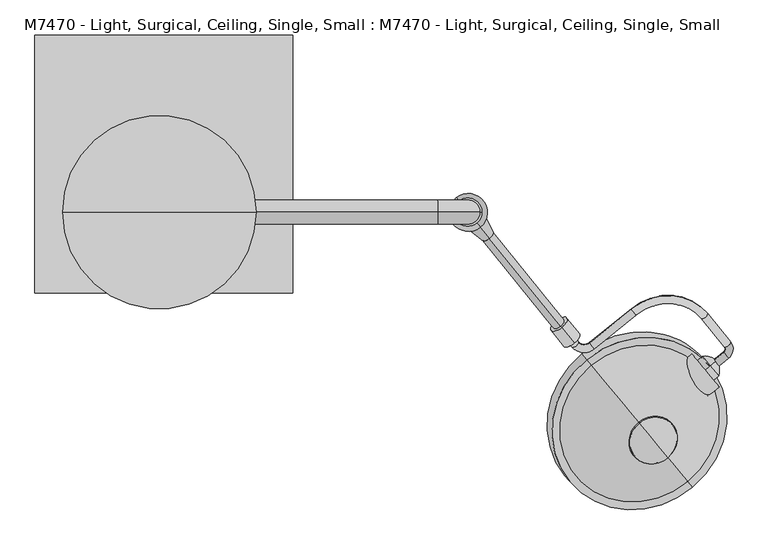
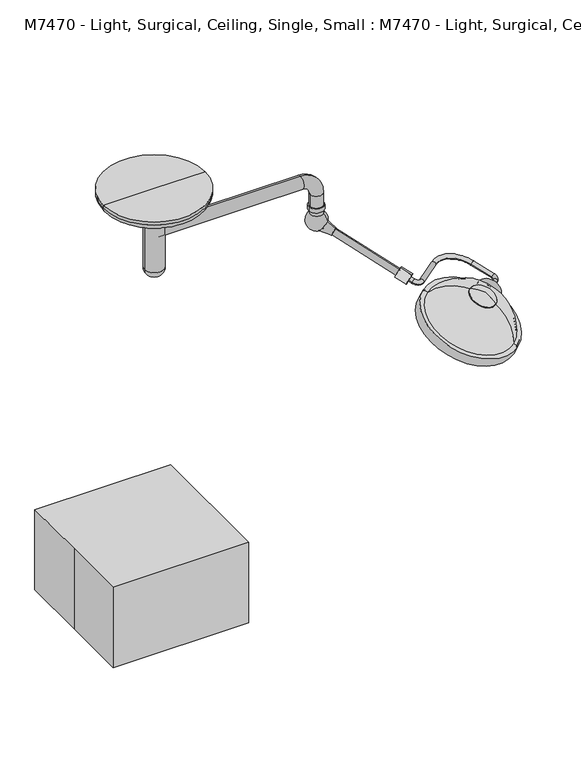
"""IFC4 building model written with IfcOpenShell, lengths in millimetres: proxy geometry, M7470 - Light, Surgical, Ceiling, Single, Small : M7470 - Light, Surgical, Ceiling, Single, Small."""

from ifc_helpers import new_model, si_unit, point, frame, frame_2d, origin, origin_with_axes, origin_2d, place, context, project, spatial, polyline, circle_curve, ellipse_curve, trimmed, segment, composite_curve, outline, extrude, source, transform, mapped, element, save
from ifc_brep_helpers import plane_surface, cylinder_surface, revolved_surface, advanced_brep


def m7470_light_surgical_ceiling_single_small_m7470_light_541cf0d3(model_context):
    return source(origin(), model_context, "Body", "SolidModel", [
        advanced_brep(
        [(1740.835031, -642.2802758, 1801.3604265), (1726.2322463, -624.2473385, 1811.6915373), (1777.4892739, -612.5982552, 1801.3604265), (1762.8864892, -594.5653179, 1811.6915373), (1765.4548505, -577.5564802, 1816.8570926), (1785.194358, -561.5717423, 1816.8570926), (1712.7149421, -472.0671177, 1868.1344952), (1692.9754347, -488.0518556, 1868.1344952), (1486.9216817, -475.7626592, 1930.1211596), (1472.318897, -457.7297218, 1940.4522704), (1340.6688003, -564.3378681, 1940.4522704), (1355.271585, -582.3708055, 1930.1211596), (1286.5870007, -578.2744067, 1950.7833811), (1306.3265081, -562.2896687, 1950.7833811), (1251.0372497, -494.0131207, 1989.8991704), (1231.2977423, -509.9978587, 1989.8991704)],
        [
            (0, 1, circle_curve(frame((1733.5336387, -633.2638072, 1806.5259819), z_axis=(-0.7771459614569792, -0.6293203910498273, 0.0), x_axis=(-0.5749127846454345, 0.7099581630143155, 0.40673664307580054)), 12.7)),
            (1, 0, circle_curve(frame((1733.5336387, -633.2638072, 1806.5259819), z_axis=(-0.7771459614569792, -0.6293203910498273, 0.0), x_axis=(-0.5749127846454345, 0.7099581630143155, 0.40673664307580054)), 12.7)),
            (0, 2),
            (2, 3, circle_curve(frame((1770.1878816, -603.5817865, 1806.5259819), z_axis=(-0.7771459614569792, -0.6293203910498273, 0.0), x_axis=(-0.5749127846454345, 0.7099581630143155, 0.40673664307580054)), 12.7)),
            (3, 1),
            (3, 2, circle_curve(frame((1770.1878816, -603.5817865, 1806.5259819), z_axis=(-0.7771459614569792, -0.6293203910498273, 0.0), x_axis=(-0.5749127846454345, 0.7099581630143155, 0.40673664307580054)), 12.7)),
            (4, 3, circle_curve(frame((1755.5850968, -585.5488492, 1816.8570926), z_axis=(-0.2559676632747577, 0.31609373954292624, -0.9135454576426008), x_axis=(0.5749127846454357, -0.7099581630143145, -0.4067366430758004)), 12.7)),
            (2, 5, circle_curve(frame((1755.5850968, -585.5488492, 1816.8570926), z_axis=(0.2559676632747577, -0.31609373954292624, 0.9135454576426008), x_axis=(0.5749127846454357, -0.7099581630143145, -0.4067366430758004)), 38.1)),
            (5, 4, circle_curve(frame((1775.3246043, -569.5641113, 1816.8570926), z_axis=(0.5749127846454273, -0.7099581630143212, -0.4067366430758005), x_axis=(-0.7771459614569847, -0.6293203910498207, 0.0)), 12.7)),
            (4, 5, circle_curve(frame((1775.3246043, -569.5641113, 1816.8570926), z_axis=(0.574912784645419, -0.709958163014328, -0.4067366430758005), x_axis=(-0.7771459614569908, -0.6293203910498131, 0.0)), 12.7)),
            (5, 6),
            (6, 7, circle_curve(frame((1702.8451884, -480.0594867, 1868.1344952), z_axis=(0.5749127846454346, -0.7099581630143152, -0.40673664307580043), x_axis=(-0.777145961456979, -0.6293203910498273, 0.0)), 12.7)),
            (7, 4),
            (7, 6, circle_curve(frame((1702.8451884, -480.0594867, 1868.1344952), z_axis=(0.5749127846454346, -0.7099581630143152, -0.40673664307580043), x_axis=(-0.777145961456979, -0.6293203910498273, 0.0)), 12.7)),
            (8, 7, circle_curve(frame((1574.5383901, -583.9602832, 1868.1344952), z_axis=(-0.2559676632747577, 0.31609373954292624, -0.9135454576426008), x_axis=(0.7771459614569818, 0.6293203910498242, 0.0)), 152.4)),
            (6, 9, circle_curve(frame((1574.5383901, -583.9602832, 1868.1344952), z_axis=(0.2559676632747577, -0.31609373954292624, 0.9135454576426008), x_axis=(0.7771459614569818, 0.6293203910498242, 0.0)), 177.8)),
            (9, 8, circle_curve(frame((1479.6202894, -466.7461905, 1935.286715), z_axis=(0.7771459614569785, 0.6293203910498282, 0.0), x_axis=(0.5749127846454356, -0.7099581630143149, -0.4067366430758004)), 12.7)),
            (8, 9, circle_curve(frame((1479.6202894, -466.7461905, 1935.286715), z_axis=(0.7771459614569775, 0.6293203910498295, 0.0), x_axis=(0.5749127846454369, -0.7099581630143138, -0.4067366430758004)), 12.7)),
            (9, 10),
            (10, 11, circle_curve(frame((1347.9701926, -573.3543368, 1935.286715), z_axis=(0.777145961456978, 0.6293203910498286, 0.0), x_axis=(0.574912784645436, -0.7099581630143144, -0.4067366430758003)), 12.7)),
            (11, 8),
            (11, 10, circle_curve(frame((1347.9701926, -573.3543368, 1935.286715), z_axis=(0.777145961456978, 0.6293203910498286, 0.0), x_axis=(0.574912784645436, -0.7099581630143144, -0.4067366430758003)), 12.7)),
            (12, 11, circle_curve(frame((1326.0660155, -546.3049308, 1950.7833811), z_axis=(0.2559676632747577, -0.31609373954292624, 0.9135454576426008), x_axis=(0.5749127846454407, -0.7099581630143105, -0.4067366430758004)), 50.8)),
            (10, 13, circle_curve(frame((1326.0660155, -546.3049308, 1950.7833811), z_axis=(-0.2559676632747577, 0.31609373954292624, -0.9135454576426008), x_axis=(0.5749127846454407, -0.7099581630143105, -0.4067366430758004)), 25.4)),
            (13, 12, circle_curve(frame((1296.4567544, -570.2820377, 1950.7833811), z_axis=(0.5749127846454364, -0.7099581630143139, -0.40673664307580054), x_axis=(-0.777145961456978, -0.6293203910498291, 0.0)), 12.7)),
            (12, 13, circle_curve(frame((1296.4567544, -570.2820377, 1950.7833811), z_axis=(0.5749127846454385, -0.7099581630143121, -0.40673664307580054), x_axis=(-0.7771459614569765, -0.629320391049831, 0.0)), 12.7)),
            (14, 15, circle_curve(frame((1241.167496, -502.0054897, 1989.8991704), z_axis=(-0.5749127846454374, 0.7099581630143132, 0.40673664307580004), x_axis=(-0.7771459614569771, -0.6293203910498298, 0.0)), 12.7)),
            (15, 14, circle_curve(frame((1241.167496, -502.0054897, 1989.8991704), z_axis=(-0.5749127846454374, 0.7099581630143132, 0.40673664307580004), x_axis=(-0.7771459614569771, -0.6293203910498298, 0.0)), 12.7)),
            (13, 14),
            (15, 12),
        ],
        [
            plane_surface(frame((1306.7585861, -106.2405083, 283.3710423), z_axis=(-0.7771459614569792, -0.6293203910498271, 0.0), x_axis=(0.2559676632747578, -0.3160937395429264, 0.9135454576426008))),
            cylinder_surface(frame((1733.5336387, -633.2638072, 1806.5259819), z_axis=(-0.7771459614569792, -0.6293203910498273, 0.0), x_axis=(-0.5749127846454345, 0.7099581630143155, 0.40673664307580054)), 12.7),
            revolved_surface(trimmed(ellipse_curve(frame((1770.1878816, -603.5817865, 1806.5259819), z_axis=(-0.7771459614569786, -0.6293203910498283, 0.0), x_axis=(-0.5749127846454356, 0.7099581630143146, 0.40673664307580043)), 12.7, 12.7), [point((1777.4892739, -612.5982552, 1801.3604265))], [point((1762.8864892, -594.5653179, 1811.6915373))], True, "CARTESIAN"), (1328.8100443, -58.5255503, 293.7021531), (0.25596766327475773, -0.3160937395429263, 0.913545457642601)),
            revolved_surface(trimmed(ellipse_curve(frame((1770.1878816, -603.5817865, 1806.5259819), z_axis=(-0.7771459614569786, -0.6293203910498283, 0.0), x_axis=(-0.5749127846454356, 0.7099581630143146, 0.40673664307580043)), 12.7, 12.7), [point((1762.8864892, -594.5653179, 1811.6915373))], [point((1777.4892739, -612.5982552, 1801.3604265))], True, "CARTESIAN"), (1328.8100443, -58.5255503, 293.7021531), (0.25596766327475773, -0.3160937395429263, 0.913545457642601)),
            cylinder_surface(frame((1775.3246043, -569.5641113, 1816.8570926), z_axis=(0.5749127846454346, -0.7099581630143152, -0.40673664307580043), x_axis=(-0.777145961456979, -0.6293203910498273, 0.0)), 12.7),
            revolved_surface(trimmed(ellipse_curve(frame((1702.8451884, -480.0594867, 1868.1344952), z_axis=(0.5749127846454308, -0.7099581630143185, -0.4067366430758007), x_axis=(-0.777145961456982, -0.6293203910498238, 0.0)), 12.7, 12.7), [point((1712.7149421, -472.0671177, 1868.1344952))], [point((1692.9754347, -488.0518556, 1868.1344952))], True, "CARTESIAN"), (1147.7633376, -56.9369844, 344.9795556), (0.25596766327475773, -0.3160937395429263, 0.913545457642601)),
            revolved_surface(trimmed(ellipse_curve(frame((1702.8451884, -480.0594867, 1868.1344952), z_axis=(0.5749127846454308, -0.7099581630143185, -0.4067366430758007), x_axis=(-0.777145961456982, -0.6293203910498238, 0.0)), 12.7, 12.7), [point((1692.9754347, -488.0518556, 1868.1344952))], [point((1712.7149421, -472.0671177, 1868.1344952))], True, "CARTESIAN"), (1147.7633376, -56.9369844, 344.9795556), (0.25596766327475773, -0.3160937395429263, 0.913545457642601)),
            cylinder_surface(frame((1479.6202894, -466.7461905, 1935.286715), z_axis=(0.7771459614569782, 0.6293203910498287, 0.0), x_axis=(0.574912784645436, -0.7099581630143144, -0.4067366430758003)), 12.7),
            revolved_surface(trimmed(ellipse_curve(frame((1347.9701926, -573.3543368, 1935.286715), z_axis=(0.777145961456975, 0.629320391049833, 0.0), x_axis=(0.5749127846454405, -0.7099581630143107, -0.4067366430758002)), 12.7, 12.7), [point((1340.6688003, -564.3378681, 1940.4522704))], [point((1355.271585, -582.3708055, 1930.1211596))], True, "CARTESIAN"), (899.290963, -19.2816319, 427.6284415), (-0.25596766327475773, 0.3160937395429263, -0.913545457642601)),
            revolved_surface(trimmed(ellipse_curve(frame((1347.9701926, -573.3543368, 1935.286715), z_axis=(0.777145961456975, 0.629320391049833, 0.0), x_axis=(0.5749127846454405, -0.7099581630143107, -0.4067366430758002)), 12.7, 12.7), [point((1355.271585, -582.3708055, 1930.1211596))], [point((1340.6688003, -564.3378681, 1940.4522704))], True, "CARTESIAN"), (899.290963, -19.2816319, 427.6284415), (-0.25596766327475773, 0.3160937395429263, -0.913545457642601)),
            plane_surface(frame((814.3924435, 25.0178092, 466.7442308), z_axis=(-0.5749127846454377, 0.7099581630143132, 0.4067366430758001), x_axis=(0.25596766327475756, -0.3160937395429259, 0.9135454576426011))),
            cylinder_surface(frame((1296.4567544, -570.2820377, 1950.7833811), z_axis=(0.5749127846454374, -0.7099581630143132, -0.40673664307580004), x_axis=(-0.7771459614569771, -0.6293203910498298, 0.0)), 12.7),
        ],
        [
            (0, [[1, 2]]),
            (1, [[-1, 3, 4, 5]]),
            (1, [[-2, -5, 6, -3]]),
            (2, [[7, -4, 8, 9]]),
            (3, [[-8, -6, -7, 10]]),
            (4, [[-9, 11, 12, 13]]),
            (4, [[-10, -13, 14, -11]]),
            (5, [[15, -12, 16, 17]]),
            (6, [[-16, -14, -15, 18]]),
            (7, [[-17, 19, 20, 21]]),
            (7, [[-18, -21, 22, -19]]),
            (8, [[23, -20, 24, 25]]),
            (9, [[-24, -22, -23, 26]]),
            (10, [[27, 28]]),
            (11, [[-25, 29, -28, 30]]),
            (11, [[-26, -30, -27, -29]]),
        ],
    ),
        advanced_brep(
        [(1721.261074, -637.7345795, 1763.693259), (1721.261074, -637.7345795, 1844.9108067), (1705.2225201, -651.0325107, 1844.9108067), (1705.2225201, -651.0325107, 1763.693259), (1741.0506282, -621.3266083, 1804.3020328), (1705.2225201, -651.0325107, 1804.3020328)],
        [
            (0, 1, circle_curve(frame((1721.261074, -637.7345795, 1804.3020328), z_axis=(-0.7698129796821993, -0.6382695169854298, 0.0), x_axis=(0.0, 0.0, 1.0)), 40.6087738)),
            (1, 2),
            (2, 3, circle_curve(frame((1705.2225201, -651.0325107, 1804.3020328), z_axis=(0.7698129796821993, 0.6382695169854298, 0.0), x_axis=(0.0, 0.0, 1.0)), 40.6087738)),
            (3, 0),
            (1, 0, circle_curve(frame((1721.261074, -637.7345795, 1804.3020328), z_axis=(-0.7698129796821993, -0.6382695169854298, 0.0), x_axis=(0.0, 0.0, 1.0)), 40.6087738)),
            (3, 2, circle_curve(frame((1705.2225201, -651.0325107, 1804.3020328), z_axis=(0.7698129796821993, 0.6382695169854298, 0.0), x_axis=(0.0, 0.0, 1.0)), 40.6087738)),
            (4, 1, circle_curve(frame((1698.880381, -656.290923, 1798.0653606), z_axis=(0.6382695169854297, -0.7698129796821994, 0.0), x_axis=(-0.7698129796821995, -0.6382695169854296, 0.0)), 55.1337385)),
            (0, 4, circle_curve(frame((1698.880381, -656.290923, 1810.5387051), z_axis=(0.6382695169854301, -0.769812979682199, 0.0), x_axis=(-0.7698129796821991, -0.63826951698543, 0.0)), 55.1337385)),
            (2, 5),
            (5, 3),
        ],
        [
            cylinder_surface(frame((1705.2225201, -651.0325107, 1804.3020328), z_axis=(0.7698129796821993, 0.6382695169854298, 0.0), x_axis=(0.0, 0.0, 1.0)), 40.6087738),
            revolved_surface(trimmed(ellipse_curve(frame((1698.880381, -656.290923, 1798.0653606), z_axis=(-0.6382695169854297, 0.7698129796821994, 0.0), x_axis=(-0.7698129796821995, -0.6382695169854296, 0.0)), 55.1337385, 55.1337385), [point((1721.261074, -637.7345795, 1844.9108067))], [point((1741.0506282, -621.3266083, 1804.3020328))], True, "CARTESIAN"), (1705.2225201, -651.0325107, 1804.3020328), (0.7698129796821993, 0.6382695169854298, 0.0)),
            revolved_surface(trimmed(ellipse_curve(frame((1698.880381, -656.290923, 1798.0653606), z_axis=(-0.6382695169854296, 0.7698129796821995, 0.0), x_axis=(-0.7698129796821996, -0.6382695169854294, 0.0)), 55.1337385, 55.1337385), [point((1721.261074, -637.7345795, 1844.9108067))], [point((1741.0506282, -621.3266083, 1804.3020328))], True, "CARTESIAN"), (1705.2225201, -651.0325107, 1804.3020328), (0.7698129796821993, 0.6382695169854298, 0.0)),
            plane_surface(frame((1705.2225201, -651.0325107, 1804.3020328), z_axis=(-0.7698129796821992, -0.6382695169854299, 0.0), x_axis=(0.0, 0.0, 1.0))),
        ],
        [
            (0, [[1, 2, 3, 4]]),
            (0, [[5, -4, 6, -2]]),
            (1, [[7, -1, 8]]),
            (2, [[-8, -5, -7]]),
            (3, [[-3, 9, 10]]),
            (3, [[-6, -10, -9]]),
        ],
    ),
        advanced_brep(
        [(1496.9081674, -817.6344001, 1984.2946884), (1587.2262401, -926.5664779, 1921.2927814), (1549.4769053, -881.037235, 1978.868084), (1495.0601272, -815.4054901, 1981.6876662), (1587.2262401, -926.5664779, 1917.3966478), (1545.2418093, -875.9293114, 1963.9650044)],
        [
            (0, 1, circle_curve(frame((1542.0672038, -872.100439, 1952.7937349), z_axis=(0.25960760071626565, -0.31311114715211635, 0.9135454576426013), x_axis=(0.5830882179937766, -0.7032591508229892, -0.4067366430757995)), 77.4480344)),
            (1, 2, circle_curve(frame((1480.1450063, -797.4164536, 1808.1205002), z_axis=(-0.7698129796821995, -0.6382695169854299, 0.0), x_axis=(-0.6382695169854299, 0.7698129796821994, 0.0)), 202.3711557)),
            (2, 0, circle_curve(frame((1514.8788649, -839.308749, 1783.8916913), z_axis=(-0.7698129796821976, -0.6382695169854321, 0.0), x_axis=(0.42708566892083927, -0.5151054258776686, -0.7431448254773932)), 202.3711557)),
            (1, 0, circle_curve(frame((1542.0672038, -872.100439, 1952.7937349), z_axis=(0.25960760071626565, -0.31311114715211635, 0.9135454576426013), x_axis=(0.5830882179937766, -0.7032591508229892, -0.4067366430757995)), 77.4480344)),
            (3, 4, circle_curve(frame((1541.1431837, -870.985984, 1949.542157), z_axis=(0.25960760071626565, -0.31311114715211635, 0.9135454576426013), x_axis=(0.5830882179937766, -0.7032591508229892, -0.4067366430757995)), 79.0327347)),
            (4, 1),
            (0, 3),
            (4, 3, circle_curve(frame((1541.1431837, -870.985984, 1949.542157), z_axis=(0.25960760071626565, -0.31311114715211635, 0.9135454576426013), x_axis=(0.5830882179937766, -0.7032591508229892, -0.4067366430757995)), 79.0327347)),
            (5, 4, circle_curve(frame((1462.5480105, -776.192824, 1711.2195886), z_axis=(0.7698129796821995, 0.6382695169854299, 0.0), x_axis=(-0.6382695169854299, 0.7698129796821994, 0.0)), 284.0173877)),
            (3, 5, circle_curve(frame((1480.6908648, -798.0748102, 1698.5639329), z_axis=(0.7698129796821976, 0.6382695169854321, 0.0), x_axis=(0.42708566892083927, -0.5151054258776686, -0.7431448254773932)), 284.0173877)),
        ],
        [
            revolved_surface(trimmed(ellipse_curve(frame((1480.1450063, -797.4164536, 1808.1205002), z_axis=(0.7698129796821995, 0.6382695169854299, 0.0), x_axis=(-0.6382695169854299, 0.7698129796821994, 0.0)), 202.3711557, 202.3711557), [point((1549.4769053, -881.037235, 1978.868084))], [point((1587.2262401, -926.5664779, 1921.2927814))], True, "CARTESIAN"), (1516.9910853, -841.8562852, 1864.5521965), (-0.25960760071626565, 0.31311114715211635, -0.9135454576426013)),
            revolved_surface(trimmed(ellipse_curve(frame((1480.1450063, -797.4164536, 1808.1205002), z_axis=(0.7698129796821993, 0.6382695169854298, 0.0), x_axis=(-0.6382695169854298, 0.7698129796821993, 0.0)), 202.3711557, 202.3711557), [point((1549.4769053, -881.037235, 1978.868084))], [point((1587.2262401, -926.5664779, 1921.2927814))], True, "CARTESIAN"), (1516.9910853, -841.8562852, 1864.5521965), (-0.25960760071626565, 0.31311114715211635, -0.9135454576426013)),
            revolved_surface(polyline([(1587.2262401, -926.5664779, 1921.2927814), (1587.2262401, -926.5664779, 1917.3966478)]), (1516.9910853, -841.8562852, 1864.5521965), (-0.25960760071626565, 0.31311114715211635, -0.9135454576426013)),
            revolved_surface(trimmed(ellipse_curve(frame((1462.5480105, -776.192824, 1711.2195886), z_axis=(-0.7698129796821995, -0.6382695169854299, 0.0), x_axis=(-0.6382695169854299, 0.7698129796821994, 0.0)), 284.0173877, 284.0173877), [point((1587.2262401, -926.5664779, 1917.3966478))], [point((1545.2418093, -875.9293114, 1963.9650044))], True, "CARTESIAN"), (1516.9910853, -841.8562852, 1864.5521965), (-0.25960760071626565, 0.31311114715211635, -0.9135454576426013)),
            revolved_surface(trimmed(ellipse_curve(frame((1462.5480105, -776.192824, 1711.2195886), z_axis=(-0.7698129796821993, -0.6382695169854298, 0.0), x_axis=(-0.6382695169854298, 0.7698129796821993, 0.0)), 284.0173877, 284.0173877), [point((1587.2262401, -926.5664779, 1917.3966478))], [point((1545.2418093, -875.9293114, 1963.9650044))], True, "CARTESIAN"), (1516.9910853, -841.8562852, 1864.5521965), (-0.25960760071626565, 0.31311114715211635, -0.9135454576426013)),
        ],
        [
            (0, [[1, 2, 3]]),
            (1, [[4, -3, -2]]),
            (2, [[5, 6, -1, 7]]),
            (2, [[8, -7, -4, -6]]),
            (3, [[9, -5, 10]]),
            (4, [[-10, -8, -9]]),
        ],
    ),
        advanced_brep(
        [(1448.7501126, -759.5512633, 1624.4158117), (1441.3448922, -750.6198721, 1629.5813671), (1456.1553329, -768.4826545, 1619.2502563), (1451.1647669, -762.4635632, 1609.2425198), (1439.9372961, -748.922179, 1617.0743086), (1445.5510315, -755.6928711, 1613.1584142)],
        [
            (0, 1),
            (1, 2, circle_curve(frame((1448.7501126, -759.5512633, 1624.4158117), z_axis=(0.2596076007162656, -0.31311114715211635, 0.9135454576426013), x_axis=(-0.5830882179937766, 0.7032591508229892, 0.40673664307579943)), 12.7)),
            (2, 0),
            (2, 1, circle_curve(frame((1448.7501126, -759.5512633, 1624.4158117), z_axis=(0.2596076007162656, -0.31311114715211635, 0.9135454576426013), x_axis=(-0.5830882179937766, 0.7032591508229892, 0.40673664307579943)), 12.7)),
            (3, 4, circle_curve(frame((1445.5510315, -755.6928711, 1613.1584142), z_axis=(-0.2596076007162656, 0.31311114715211635, -0.9135454576426013), x_axis=(-0.5830882179937766, 0.7032591508229892, 0.40673664307579943)), 9.6275919)),
            (4, 5),
            (5, 3),
            (4, 3, circle_curve(frame((1445.5510315, -755.6928711, 1613.1584142), z_axis=(-0.2596076007162656, 0.31311114715211635, -0.9135454576426013), x_axis=(-0.5830882179937766, 0.7032591508229892, 0.40673664307579943)), 9.6275919)),
            (1, 4),
            (3, 2),
        ],
        [
            plane_surface(frame((1448.7501126, -759.5512633, 1624.4158117), z_axis=(0.25960760071626565, -0.31311114715211635, 0.9135454576426012), x_axis=(-0.5830882179937766, 0.7032591508229892, 0.40673664307579943))),
            plane_surface(frame((1445.5510315, -755.6928711, 1613.1584142), z_axis=(-0.25960760071626565, 0.31311114715211635, -0.9135454576426012), x_axis=(-0.5830882179937766, 0.7032591508229892, 0.40673664307579943))),
            revolved_surface(polyline([(1439.9372961, -748.922179, 1617.0743086), (1441.3448922, -750.6198721, 1629.5813671)]), (1475.1262448, -791.3633558, 1717.2320302), (0.2596076007162656, -0.31311114715211635, 0.9135454576426013)),
        ],
        [
            (0, [[1, 2, 3]]),
            (0, [[-3, 4, -1]]),
            (1, [[5, 6, 7]]),
            (1, [[8, -7, -6]]),
            (2, [[-2, 9, -5, 10]]),
            (2, [[-4, -10, -8, -9]]),
        ],
    ),
        advanced_brep(
        [(1475.1262448, -791.3633558, 1717.2320302), (1464.0184142, -777.966269, 1724.9803632), (1486.2340754, -804.7604427, 1709.4836971), (1459.8579431, -772.9483501, 1616.6674786), (1437.642282, -746.1541765, 1632.1641447), (1448.7501126, -759.5512633, 1624.4158117)],
        [
            (0, 1),
            (1, 2, circle_curve(frame((1475.1262448, -791.3633558, 1717.2320302), z_axis=(0.2596076007162656, -0.31311114715211635, 0.9135454576426013), x_axis=(-0.5830882179937766, 0.7032591508229892, 0.40673664307579943)), 19.05)),
            (2, 0),
            (2, 1, circle_curve(frame((1475.1262448, -791.3633558, 1717.2320302), z_axis=(0.2596076007162656, -0.31311114715211635, 0.9135454576426013), x_axis=(-0.5830882179937766, 0.7032591508229892, 0.40673664307579943)), 19.05)),
            (3, 4, circle_curve(frame((1448.7501126, -759.5512633, 1624.4158117), z_axis=(-0.2596076007162656, 0.31311114715211635, -0.9135454576426013), x_axis=(-0.5830882179937766, 0.7032591508229892, 0.40673664307579943)), 19.05)),
            (4, 5),
            (5, 3),
            (4, 3, circle_curve(frame((1448.7501126, -759.5512633, 1624.4158117), z_axis=(-0.2596076007162656, 0.31311114715211635, -0.9135454576426013), x_axis=(-0.5830882179937766, 0.7032591508229892, 0.40673664307579943)), 19.05)),
            (1, 4),
            (3, 2),
        ],
        [
            plane_surface(frame((1475.1262448, -791.3633558, 1717.2320302), z_axis=(0.25960760071626565, -0.31311114715211635, 0.9135454576426012), x_axis=(-0.5830882179937766, 0.7032591508229892, 0.40673664307579943))),
            plane_surface(frame((1448.7501126, -759.5512633, 1624.4158117), z_axis=(-0.25960760071626565, 0.31311114715211635, -0.9135454576426012), x_axis=(-0.5830882179937766, 0.7032591508229892, 0.40673664307579943))),
            cylinder_surface(frame((1475.1262448, -791.3633558, 1717.2320302), z_axis=(0.2596076007162656, -0.31311114715211635, 0.9135454576426013), x_axis=(-0.5830882179937766, 0.7032591508229892, 0.40673664307579943)), 19.05),
        ],
        [
            (0, [[1, 2, 3]]),
            (0, [[-3, 4, -1]]),
            (1, [[5, 6, 7]]),
            (1, [[8, -7, -6]]),
            (2, [[-2, 9, -5, 10]]),
            (2, [[-4, -10, -8, -9]]),
        ],
    ),
        advanced_brep(
        [(1480.0717696, -797.3281232, 1734.6350712), (1454.1534983, -766.0682539, 1752.7145149), (1505.9900409, -828.5879925, 1716.5556274), (1501.0445161, -822.6232251, 1699.1525864), (1449.2079735, -760.1034866, 1735.311474), (1475.1262448, -791.3633558, 1717.2320302)],
        [
            (0, 1),
            (1, 2, circle_curve(frame((1480.0717696, -797.3281232, 1734.6350712), z_axis=(0.2596076007162652, -0.31311114715211585, 0.9135454576426016), x_axis=(-0.5830882179937769, 0.7032591508229895, 0.4067366430757988)), 44.45)),
            (2, 0),
            (2, 1, circle_curve(frame((1480.0717696, -797.3281232, 1734.6350712), z_axis=(0.2596076007162652, -0.31311114715211585, 0.9135454576426016), x_axis=(-0.5830882179937769, 0.7032591508229895, 0.4067366430757988)), 44.45)),
            (3, 4, circle_curve(frame((1475.1262448, -791.3633558, 1717.2320302), z_axis=(-0.2596076007162652, 0.31311114715211585, -0.9135454576426016), x_axis=(-0.5830882179937769, 0.7032591508229895, 0.4067366430757988)), 44.45)),
            (4, 5),
            (5, 3),
            (4, 3, circle_curve(frame((1475.1262448, -791.3633558, 1717.2320302), z_axis=(-0.2596076007162652, 0.31311114715211585, -0.9135454576426016), x_axis=(-0.5830882179937769, 0.7032591508229895, 0.4067366430757988)), 44.45)),
            (1, 4),
            (3, 2),
        ],
        [
            plane_surface(frame((1480.0717696, -797.3281232, 1734.6350712), z_axis=(0.25960760071626526, -0.31311114715211585, 0.9135454576426016), x_axis=(-0.5830882179937769, 0.7032591508229895, 0.4067366430757988))),
            plane_surface(frame((1475.1262448, -791.3633558, 1717.2320302), z_axis=(-0.25960760071626526, 0.31311114715211585, -0.9135454576426016), x_axis=(-0.5830882179937769, 0.7032591508229895, 0.4067366430757988))),
            cylinder_surface(frame((1480.0717696, -797.3281232, 1734.6350712), z_axis=(0.2596076007162652, -0.31311114715211585, 0.9135454576426016), x_axis=(-0.5830882179937769, 0.7032591508229895, 0.4067366430757988)), 44.45),
        ],
        [
            (0, [[1, 2, 3]]),
            (0, [[-3, 4, -1]]),
            (1, [[5, 6, 7]]),
            (1, [[8, -7, -6]]),
            (2, [[-2, 9, -5, 10]]),
            (2, [[-4, -10, -8, -9]]),
        ],
    ),
        advanced_brep(
        [(1483.0837441, -800.9608473, 1745.2340505), (1449.7602524, -760.7695868, 1768.4790497), (1516.4072357, -841.1521078, 1721.9890514), (1510.3832868, -833.8866596, 1713.4910927), (1449.7602524, -760.7695868, 1755.7790497), (1480.0717696, -797.3281232, 1734.6350712)],
        [
            (0, 1),
            (1, 2, circle_curve(frame((1483.0837441, -800.9608473, 1745.2340505), z_axis=(0.25960760071626576, -0.3131111471521165, 0.9135454576426012), x_axis=(-0.5830882179937765, 0.7032591508229892, 0.40673664307579965)), 57.15)),
            (2, 0),
            (2, 1, circle_curve(frame((1483.0837441, -800.9608473, 1745.2340505), z_axis=(0.25960760071626576, -0.3131111471521165, 0.9135454576426012), x_axis=(-0.5830882179937765, 0.7032591508229892, 0.40673664307579965)), 57.15)),
            (3, 4, circle_curve(frame((1480.0717696, -797.3281232, 1734.6350712), z_axis=(-0.25960760071626576, 0.3131111471521165, -0.9135454576426012), x_axis=(-0.5830882179937765, 0.7032591508229892, 0.40673664307579965)), 51.9844446)),
            (4, 5),
            (5, 3),
            (4, 3, circle_curve(frame((1480.0717696, -797.3281232, 1734.6350712), z_axis=(-0.25960760071626576, 0.3131111471521165, -0.9135454576426012), x_axis=(-0.5830882179937765, 0.7032591508229892, 0.40673664307579965)), 51.9844446)),
            (1, 4),
            (3, 2),
        ],
        [
            plane_surface(frame((1483.0837441, -800.9608473, 1745.2340505), z_axis=(0.25960760071626576, -0.3131111471521165, 0.9135454576426012), x_axis=(-0.5830882179937765, 0.7032591508229892, 0.40673664307579965))),
            plane_surface(frame((1480.0717696, -797.3281232, 1734.6350712), z_axis=(-0.25960760071626576, 0.3131111471521165, -0.9135454576426012), x_axis=(-0.5830882179937765, 0.7032591508229892, 0.40673664307579965))),
            revolved_surface(polyline([(1449.7602524, -760.7695868, 1755.7790497), (1449.7602524, -760.7695868, 1768.4790497)]), (1483.0837441, -800.9608473, 1745.2340505), (0.25960760071626576, -0.3131111471521165, 0.9135454576426012)),
        ],
        [
            (0, [[1, 2, 3]]),
            (0, [[-3, 4, -1]]),
            (1, [[5, 6, 7]]),
            (1, [[8, -7, -6]]),
            (2, [[-2, 9, -5, 10]]),
            (2, [[-4, -10, -8, -9]]),
        ],
    ),
        extrude(outline(composite_curve([segment(polyline([(-25.1937137, -4.6953206), (31.6273953, -132.317621)]), True, "CONTINUOUS"), segment(trimmed(circle_curve(frame_2d((0.0, -69.9387006)), 69.9387006), [point((31.6273953, -132.317621))], [point((-25.1937137, -4.6953206))], False, "CARTESIAN"), True, "CONTINUOUS")], self_intersect=False)), frame((1594.6393305, -649.6721512, 1800.6600142), z_axis=(0.7698129796821992, 0.6382695169854299, 0.0), x_axis=(0.0, 0.0, -1.0)), (0.0, 0.0, 1.0), 84.2600986),
        advanced_brep(
        [(1346.1133009, -635.7616294, 1903.3370584), (1649.727336, -1001.9486693, 1691.5492884), (1545.2465329, -875.9350086, 1963.9816266), (1350.1582608, -640.640231, 1900.5154726), (1645.6823761, -997.0700677, 1694.3708742), (1543.5949178, -873.9430057, 1958.1696802)],
        [
            (0, 1, circle_curve(frame((1497.9203184, -818.8551493, 1797.4431734), z_axis=(0.2596076007162657, -0.31311114715211646, 0.9135454576426013), x_axis=(0.5830882179937766, -0.7032591508229892, -0.4067366430757996)), 260.35)),
            (1, 2, circle_curve(frame((1455.7322005, -767.972317, 1694.318951), z_axis=(-0.7698129796821995, -0.6382695169854298, 0.0), x_axis=(-0.6382695169854299, 0.7698129796821995, 0.0)), 303.9518334)),
            (2, 0, circle_curve(frame((1477.2351085, -793.9068435, 1679.3194701), z_axis=(-0.7698129796821976, -0.6382695169854323, 0.0), x_axis=(0.4270856689208392, -0.5151054258776685, -0.7431448254773935)), 303.9518334)),
            (1, 0, circle_curve(frame((1497.9203184, -818.8551493, 1797.4431734), z_axis=(0.2596076007162657, -0.31311114715211646, 0.9135454576426013), x_axis=(0.5830882179937766, -0.7032591508229892, -0.4067366430757996)), 260.35)),
            (3, 4, circle_curve(frame((1497.9203184, -818.8551493, 1797.4431734), z_axis=(0.2596076007162657, -0.31311114715211646, 0.9135454576426013), x_axis=(0.5830882179937766, -0.7032591508229892, -0.4067366430757996)), 253.412868)),
            (4, 1),
            (0, 3),
            (4, 3, circle_curve(frame((1497.9203184, -818.8551493, 1797.4431734), z_axis=(0.2596076007162657, -0.31311114715211646, 0.9135454576426013), x_axis=(0.5830882179937766, -0.7032591508229892, -0.4067366430757996)), 253.412868)),
            (5, 4, circle_curve(frame((1455.7322005, -767.972317, 1694.318951), z_axis=(0.7698129796821995, 0.6382695169854298, 0.0), x_axis=(-0.6382695169854299, 0.7698129796821995, 0.0)), 297.6018334)),
            (3, 5, circle_curve(frame((1477.2351085, -793.9068435, 1679.3194701), z_axis=(0.7698129796821976, 0.6382695169854323, 0.0), x_axis=(0.4270856689208392, -0.5151054258776685, -0.7431448254773935)), 297.6018334)),
        ],
        [
            revolved_surface(trimmed(ellipse_curve(frame((1455.7322005, -767.972317, 1694.318951), z_axis=(0.7698129796821995, 0.6382695169854298, 0.0), x_axis=(-0.6382695169854299, 0.7698129796821995, 0.0)), 303.9518334, 303.9518334), [point((1545.2465329, -875.9350086, 1963.9816266))], [point((1649.727336, -1001.9486693, 1691.5492884))], True, "CARTESIAN"), (1497.9203184, -818.8551493, 1797.4431734), (-0.2596076007162657, 0.31311114715211646, -0.9135454576426013)),
            revolved_surface(trimmed(ellipse_curve(frame((1455.7322005, -767.972317, 1694.318951), z_axis=(0.7698129796821995, 0.6382695169854299, 0.0), x_axis=(-0.6382695169854299, 0.7698129796821995, 0.0)), 303.9518334, 303.9518334), [point((1545.2465329, -875.9350086, 1963.9816266))], [point((1649.727336, -1001.9486693, 1691.5492884))], True, "CARTESIAN"), (1497.9203184, -818.8551493, 1797.4431734), (-0.2596076007162657, 0.31311114715211646, -0.9135454576426013)),
            plane_surface(frame((1497.9203184, -818.8551493, 1797.4431734), z_axis=(-0.25960760071626576, 0.31311114715211646, -0.9135454576426012), x_axis=(0.5830882179937766, -0.7032591508229892, -0.4067366430757996))),
            revolved_surface(trimmed(ellipse_curve(frame((1455.7322005, -767.972317, 1694.318951), z_axis=(-0.7698129796821995, -0.6382695169854298, 0.0), x_axis=(-0.6382695169854299, 0.7698129796821995, 0.0)), 297.6018334, 297.6018334), [point((1645.6823761, -997.0700677, 1694.3708742))], [point((1543.5949178, -873.9430057, 1958.1696802))], True, "CARTESIAN"), (1497.9203184, -818.8551493, 1797.4431734), (-0.2596076007162657, 0.31311114715211646, -0.9135454576426013)),
            revolved_surface(trimmed(ellipse_curve(frame((1455.7322005, -767.972317, 1694.318951), z_axis=(-0.7698129796821995, -0.6382695169854299, 0.0), x_axis=(-0.6382695169854299, 0.7698129796821995, 0.0)), 297.6018334, 297.6018334), [point((1645.6823761, -997.0700677, 1694.3708742))], [point((1543.5949178, -873.9430057, 1958.1696802))], True, "CARTESIAN"), (1497.9203184, -818.8551493, 1797.4431734), (-0.2596076007162657, 0.31311114715211646, -0.9135454576426013)),
        ],
        [
            (0, [[1, 2, 3]]),
            (1, [[4, -3, -2]]),
            (2, [[5, 6, -1, 7]]),
            (2, [[8, -7, -4, -6]]),
            (3, [[9, -5, 10]]),
            (4, [[-10, -8, -9]]),
        ],
    ),
        advanced_brep(
        [(1316.4662858, -600.0045449, 1861.4590463), (1649.7012024, -1001.9171496, 1629.0090547), (1664.5377767, -1019.8114517, 1681.2181777), (1331.3028602, -617.898847, 1913.6681692), (1320.168896, -604.4702405, 1858.8762686), (1645.9985922, -997.451454, 1631.5918324), (1333.3569621, -620.3762868, 1905.2843778), (1659.1866583, -1013.3575003, 1677.9999417), (1496.2718102, -816.8668936, 1791.6421598), (1497.9203184, -818.8551493, 1797.4431734)],
        [
            (0, 1, circle_curve(frame((1483.0837441, -800.9608473, 1745.2340505), z_axis=(0.2596076007162655, -0.3131111471521162, 0.9135454576426014), x_axis=(0.5830882179937767, -0.7032591508229893, -0.4067366430757992)), 285.75)),
            (1, 2),
            (2, 3, circle_curve(frame((1497.9203184, -818.8551493, 1797.4431734), z_axis=(-0.2596076007162655, 0.3131111471521162, -0.9135454576426014), x_axis=(0.5830882179937767, -0.7032591508229893, -0.4067366430757992)), 285.75)),
            (3, 0),
            (1, 0, circle_curve(frame((1483.0837441, -800.9608473, 1745.2340505), z_axis=(0.2596076007162655, -0.3131111471521162, 0.9135454576426014), x_axis=(0.5830882179937767, -0.7032591508229893, -0.4067366430757992)), 285.75)),
            (3, 2, circle_curve(frame((1497.9203184, -818.8551493, 1797.4431734), z_axis=(-0.2596076007162655, 0.3131111471521162, -0.9135454576426014), x_axis=(0.5830882179937767, -0.7032591508229893, -0.4067366430757992)), 285.75)),
            (4, 5, circle_curve(frame((1483.0837441, -800.9608473, 1745.2340505), z_axis=(0.2596076007162655, -0.3131111471521162, 0.9135454576426014), x_axis=(0.5830882179937767, -0.7032591508229893, -0.4067366430757992)), 279.4)),
            (5, 1),
            (0, 4),
            (5, 4, circle_curve(frame((1483.0837441, -800.9608473, 1745.2340505), z_axis=(0.2596076007162655, -0.3131111471521162, 0.9135454576426014), x_axis=(0.5830882179937767, -0.7032591508229893, -0.4067366430757992)), 279.4)),
            (6, 7, circle_curve(frame((1496.2718102, -816.8668936, 1791.6421598), z_axis=(0.2596076007162655, -0.3131111471521162, 0.9135454576426014), x_axis=(0.5830882179937767, -0.7032591508229893, -0.4067366430757992)), 279.4)),
            (7, 5),
            (4, 6),
            (7, 6, circle_curve(frame((1496.2718102, -816.8668936, 1791.6421598), z_axis=(0.2596076007162655, -0.3131111471521162, 0.9135454576426014), x_axis=(0.5830882179937767, -0.7032591508229893, -0.4067366430757992)), 279.4)),
            (8, 7),
            (6, 8),
            (2, 9),
            (9, 3),
        ],
        [
            cylinder_surface(frame((1483.0837441, -800.9608473, 1745.2340505), z_axis=(-0.2596076007162655, 0.3131111471521162, -0.9135454576426014), x_axis=(0.5830882179937767, -0.7032591508229893, -0.4067366430757992)), 285.75),
            plane_surface(frame((1483.0837441, -800.9608473, 1745.2340505), z_axis=(-0.2596076007162655, 0.3131111471521162, -0.9135454576426014), x_axis=(0.5830882179937767, -0.7032591508229893, -0.4067366430757992))),
            revolved_surface(polyline([(1645.9985921978723, -997.451454028378, 1631.5918323908784), (1659.1866583370233, -1013.3575003311619, 1677.9999417192307)]), (1483.0837441, -800.9608473, 1745.2340505), (-0.2596076007162655, 0.3131111471521162, -0.9135454576426014)),
            plane_surface(frame((1496.2718102, -816.8668936, 1791.6421598), z_axis=(-0.2596076007162655, 0.3131111471521162, -0.9135454576426014), x_axis=(0.5830882179937767, -0.7032591508229893, -0.4067366430757992))),
            plane_surface(frame((1497.9203184, -818.8551493, 1797.4431734), z_axis=(0.2596076007162655, -0.3131111471521162, 0.9135454576426014), x_axis=(0.5830882179937767, -0.7032591508229893, -0.4067366430757992))),
        ],
        [
            (0, [[1, 2, 3, 4]]),
            (0, [[5, -4, 6, -2]]),
            (1, [[7, 8, -1, 9]]),
            (1, [[10, -9, -5, -8]]),
            (2, [[11, 12, -7, 13]]),
            (2, [[14, -13, -10, -12]]),
            (3, [[15, -11, 16]]),
            (3, [[-16, -14, -15]]),
            (4, [[-3, 17, 18]]),
            (4, [[-6, -18, -17]]),
        ],
    ),
        advanced_brep(
        [(1235.7366669, -495.2989743, 1958.9919398), (1252.6252723, -516.1546651, 2016.5424843), (1244.1809696, -505.7268197, 1987.767212), (1275.5761712, -544.4966648, 1929.4720542), (1292.4647766, -565.3523556, 1987.0225987), (1284.0204739, -554.9245102, 1958.2473264)],
        [
            (0, 1, circle_curve(frame((1244.1809696, -505.7268197, 1987.767212), z_axis=(-0.5703579709494108, 0.7043334365325427, 0.42261826174069883), x_axis=(0.265962289743456, -0.32843607534975183, 0.9063077870366504)), 31.75)),
            (1, 2),
            (2, 0),
            (1, 0, circle_curve(frame((1244.1809696, -505.7268197, 1987.767212), z_axis=(-0.5703579709494108, 0.7043334365325427, 0.42261826174069883), x_axis=(0.265962289743456, -0.32843607534975183, 0.9063077870366504)), 31.75)),
            (3, 4, circle_curve(frame((1284.0204739, -554.9245102, 1958.2473264), z_axis=(-0.5703579709494108, 0.7043334365325427, 0.42261826174069883), x_axis=(0.265962289743456, -0.32843607534975183, 0.9063077870366504)), 31.75)),
            (4, 1),
            (0, 3),
            (4, 3, circle_curve(frame((1284.0204739, -554.9245102, 1958.2473264), z_axis=(-0.5703579709494108, 0.7043334365325427, 0.42261826174069883), x_axis=(0.265962289743456, -0.32843607534975183, 0.9063077870366504)), 31.75)),
            (5, 4),
            (3, 5),
        ],
        [
            plane_surface(frame((1244.1809696, -505.7268197, 1987.767212), z_axis=(-0.5703579709494109, 0.7043334365325429, 0.42261826174069894), x_axis=(0.265962289743456, -0.32843607534975183, 0.9063077870366504))),
            cylinder_surface(frame((1244.1809696, -505.7268197, 1987.767212), z_axis=(0.5703579709494108, -0.7043334365325427, -0.42261826174069883), x_axis=(0.265962289743456, -0.32843607534975183, 0.9063077870366504)), 31.75),
            plane_surface(frame((1284.0204739, -554.9245102, 1958.2473264), z_axis=(0.5703579709494109, -0.7043334365325429, -0.42261826174069894), x_axis=(0.265962289743456, -0.32843607534975183, 0.9063077870366504))),
        ],
        [
            (0, [[1, 2, 3]]),
            (0, [[4, -3, -2]]),
            (1, [[5, 6, -1, 7]]),
            (1, [[8, -7, -4, -6]]),
            (2, [[9, -5, 10]]),
            (2, [[-10, -8, -9]]),
        ],
    ),
        extrude(outline(composite_curve([segment(trimmed(circle_curve(origin_2d(), 20.2288163), [point((0.0, -20.2288163))], [point((0.0, 20.2288163))], False, "CARTESIAN"), True, "CONTINUOUS"), segment(trimmed(circle_curve(origin_2d(), 20.2288163), [point((0.0, 20.2288163))], [point((0.0, -20.2288163))], False, "CARTESIAN"), True, "CONTINUOUS")], self_intersect=False)), frame((1244.1809696, -505.7268197, 1987.767212), z_axis=(-0.5703579709494108, 0.7043334365325428, 0.4226182617406986), x_axis=(0.777145961456977, 0.62932039104983, 0.0)), (0.0, 0.0, 1.0), 393.7),
        advanced_brep(
        [(976.8515115, -175.602432, 2183.0066897), (967.849194, -164.4854957, 2149.3066358), (985.8538291, -186.7193684, 2216.7067436), (1024.9063629, -234.9452313, 2173.9001347), (1014.35571, -221.9162601, 2134.4039086), (1019.6310364, -228.4307457, 2154.1520217)],
        [
            (0, 1),
            (1, 2, circle_curve(frame((976.8515115, -175.602432, 2183.0066897), z_axis=(-0.5792924743379562, 0.7153666293621104, 0.3907311284892742), x_axis=(-0.24589506657621132, 0.3036551185209666, -0.9205048534524403)), 36.6104033)),
            (2, 0),
            (2, 1, circle_curve(frame((976.8515115, -175.602432, 2183.0066897), z_axis=(-0.5792924743379562, 0.7153666293621104, 0.3907311284892742), x_axis=(-0.24589506657621132, 0.3036551185209666, -0.9205048534524403)), 36.6104033)),
            (3, 4, circle_curve(frame((1019.6310364, -228.4307457, 2154.1520217), z_axis=(0.5792924743379562, -0.7153666293621104, -0.3907311284892742), x_axis=(-0.24589506657621132, 0.3036551185209666, -0.9205048534524403)), 21.4535676)),
            (4, 5),
            (5, 3),
            (4, 3, circle_curve(frame((1019.6310364, -228.4307457, 2154.1520217), z_axis=(0.5792924743379562, -0.7153666293621104, -0.3907311284892742), x_axis=(-0.24589506657621132, 0.3036551185209666, -0.9205048534524403)), 21.4535676)),
            (1, 4),
            (3, 2),
        ],
        [
            plane_surface(frame((976.8515115, -175.602432, 2183.0066897), z_axis=(-0.5792924743379563, 0.7153666293621104, 0.3907311284892742), x_axis=(-0.24589506657621132, 0.3036551185209666, -0.9205048534524403))),
            plane_surface(frame((1019.6310364, -228.4307457, 2154.1520217), z_axis=(0.5792924743379563, -0.7153666293621104, -0.3907311284892742), x_axis=(-0.24589506657621132, 0.3036551185209666, -0.9205048534524403))),
            revolved_surface(polyline([(1014.35571, -221.9162601, 2134.4039086), (967.849194, -164.4854957, 2149.3066358)]), (990.2029787, -192.0901209, 2174.001163), (-0.579292474337956, 0.7153666293621103, 0.3907311284892741)),
        ],
        [
            (0, [[1, 2, 3]]),
            (0, [[-3, 4, -1]]),
            (1, [[5, 6, 7]]),
            (1, [[8, -7, -6]]),
            (2, [[-2, 9, -5, 10]]),
            (2, [[-4, -10, -8, -9]]),
        ],
    ),
        advanced_brep(
        [(959.0523183, -153.6222589, 2277.562195), (935.0752114, -124.0129978, 2277.562195), (983.0294252, -183.23152, 2277.562195), (983.0294252, -183.23152, 2251.7869575), (935.0752114, -124.0129978, 2251.7869575), (959.0523183, -153.6222589, 2145.7286543)],
        [
            (0, 1),
            (1, 2, circle_curve(frame((959.0523183, -153.6222589, 2277.562195), z_axis=(0.0, 0.0, 1.0), x_axis=(-0.6293203910498301, 0.777145961456977, 0.0)), 38.1)),
            (2, 0),
            (2, 1, circle_curve(frame((959.0523183, -153.6222589, 2277.562195), z_axis=(0.0, 0.0, 1.0), x_axis=(-0.6293203910498301, 0.777145961456977, 0.0)), 38.1)),
            (3, 4, circle_curve(frame((959.0523183, -153.6222589, 2251.7869575), z_axis=(0.0, 0.0, -1.0), x_axis=(-0.6293203910498301, 0.777145961456977, 0.0)), 38.1)),
            (4, 5, circle_curve(frame((959.0523183, -153.6222589, 2205.6012588), z_axis=(-0.7771459614569771, -0.62932039104983, 0.0), x_axis=(-0.62932039104983, 0.7771459614569771, 0.0)), 59.8726045)),
            (5, 3, circle_curve(frame((959.0523183, -153.6222589, 2205.6012588), z_axis=(-0.7771459614569791, -0.6293203910498274, 0.0), x_axis=(0.6293203910498274, -0.7771459614569791, 0.0)), 59.8726045)),
            (4, 3, circle_curve(frame((959.0523183, -153.6222589, 2251.7869575), z_axis=(0.0, 0.0, -1.0), x_axis=(-0.6293203910498301, 0.777145961456977, 0.0)), 38.1)),
            (1, 4),
            (3, 2),
        ],
        [
            plane_surface(frame((959.0523183, -153.6222589, 2277.562195), z_axis=(0.0, 0.0, 1.0000000000000002), x_axis=(-0.6293203910498301, 0.777145961456977, 0.0))),
            revolved_surface(trimmed(ellipse_curve(frame((959.0523183, -153.6222589, 2205.6012588), z_axis=(0.7771459614569771, 0.62932039104983, 0.0), x_axis=(-0.62932039104983, 0.7771459614569771, 0.0)), 59.8726045, 59.8726045), [point((959.0523183, -153.6222589, 2145.7286543))], [point((935.0752114, -124.0129978, 2251.7869575))], True, "CARTESIAN"), (959.0523183, -153.6222589, 2277.562195), (0.0, 0.0, 1.0)),
            cylinder_surface(frame((959.0523183, -153.6222589, 2277.562195), z_axis=(0.0, 0.0, 1.0), x_axis=(-0.6293203910498301, 0.777145961456977, 0.0)), 38.1),
        ],
        [
            (0, [[1, 2, 3]]),
            (0, [[-3, 4, -1]]),
            (1, [[5, 6, 7]]),
            (1, [[8, -7, -6]]),
            (2, [[-2, 9, -5, 10]]),
            (2, [[-4, -10, -8, -9]]),
        ],
    ),
        advanced_brep(
        [(912.6181725, -152.4, 2277.562195), (1001.5181725, -152.4, 2277.562195), (957.0681725, -152.4, 2277.562195), (912.6181725, -152.4, 2302.962195), (1001.5181725, -152.4, 2302.962195), (957.0681725, -152.4, 2302.962195)],
        [
            (0, 1, circle_curve(frame((957.0681725, -152.4, 2277.562195), z_axis=(0.0, 0.0, -1.0), x_axis=(1.0, 0.0, 0.0)), 44.45)),
            (1, 2),
            (2, 0),
            (1, 0, circle_curve(frame((957.0681725, -152.4, 2277.562195), z_axis=(0.0, 0.0, -1.0), x_axis=(1.0, 0.0, 0.0)), 44.45)),
            (3, 4, circle_curve(frame((957.0681725, -152.4, 2302.962195), z_axis=(0.0, 0.0, -1.0), x_axis=(1.0, 0.0, 0.0)), 44.45)),
            (4, 1),
            (0, 3),
            (4, 3, circle_curve(frame((957.0681725, -152.4, 2302.962195), z_axis=(0.0, 0.0, -1.0), x_axis=(1.0, 0.0, 0.0)), 44.45)),
            (5, 4),
            (3, 5),
        ],
        [
            plane_surface(frame((957.0681725, -152.4, 2277.562195), z_axis=(0.0, 0.0, -1.0), x_axis=(1.0, 0.0, 0.0))),
            cylinder_surface(frame((957.0681725, -152.4, 2302.962195), z_axis=(0.0, 0.0, 1.0), x_axis=(1.0, 0.0, 0.0)), 44.45),
            plane_surface(frame((957.0681725, -152.4, 2302.962195), z_axis=(0.0, 0.0, 1.0), x_axis=(1.0, 0.0, 0.0))),
        ],
        [
            (0, [[1, 2, 3]]),
            (0, [[4, -3, -2]]),
            (1, [[5, 6, -1, 7]]),
            (1, [[8, -7, -4, -6]]),
            (2, [[9, -5, 10]]),
            (2, [[-10, -8, -9]]),
        ],
    ),
        advanced_brep(
        [(0.0, -152.4, 2436.312195), (0.0, -152.4, 2512.512195), (861.8181725, -152.4, 2436.312195), (861.8181725, -152.4, 2512.512195), (995.1681725, -152.4, 2379.162195), (918.9681725, -152.4, 2379.162195), (918.9681725, -152.4, 2302.962195), (995.1681725, -152.4, 2302.962195)],
        [
            (0, 1, circle_curve(frame((0.0, -152.4, 2474.412195), z_axis=(-1.0, 0.0, 0.0), x_axis=(0.0, 0.0, 1.0)), 38.1)),
            (1, 0, circle_curve(frame((0.0, -152.4, 2474.412195), z_axis=(-1.0, 0.0, 0.0), x_axis=(0.0, 0.0, 1.0)), 38.1)),
            (0, 2),
            (2, 3, circle_curve(frame((861.8181725, -152.4, 2474.412195), z_axis=(-1.0, 0.0, 0.0), x_axis=(0.0, 0.0, 1.0)), 38.1)),
            (3, 1),
            (3, 2, circle_curve(frame((861.8181725, -152.4, 2474.412195), z_axis=(-1.0, 0.0, 0.0), x_axis=(0.0, 0.0, 1.0)), 38.1)),
            (4, 3, circle_curve(frame((861.8181725, -152.4, 2379.162195), z_axis=(0.0, -1.0, 0.0), x_axis=(0.0, 0.0, 1.0)), 133.35)),
            (2, 5, circle_curve(frame((861.8181725, -152.4, 2379.162195), z_axis=(0.0, 1.0, 0.0), x_axis=(0.0, 0.0, 1.0)), 57.15)),
            (5, 4, circle_curve(frame((957.0681725, -152.4, 2379.162195), z_axis=(0.0, 0.0, 1.0), x_axis=(1.0, 0.0, 0.0)), 38.1)),
            (4, 5, circle_curve(frame((957.0681725, -152.4, 2379.162195), z_axis=(0.0, 0.0, 1.0), x_axis=(1.0, 0.0, 0.0)), 38.1)),
            (6, 7, circle_curve(frame((957.0681725, -152.4, 2302.962195), z_axis=(0.0, 0.0, -1.0), x_axis=(1.0, 0.0, 0.0)), 38.1)),
            (7, 6, circle_curve(frame((957.0681725, -152.4, 2302.962195), z_axis=(0.0, 0.0, -1.0), x_axis=(1.0, 0.0, 0.0)), 38.1)),
            (5, 6),
            (7, 4),
        ],
        [
            plane_surface(frame((0.0, -152.4, 2474.412195), z_axis=(-1.0, 0.0, 0.0), x_axis=(0.0, -1.0, 0.0))),
            cylinder_surface(frame((0.0, -152.4, 2474.412195), z_axis=(-1.0, 0.0, 0.0), x_axis=(0.0, 0.0, 1.0)), 38.1),
            revolved_surface(trimmed(ellipse_curve(frame((861.8181725, -152.4, 2474.412195), z_axis=(-1.0, 0.0, 0.0), x_axis=(0.0, 0.0, 1.0)), 38.1, 38.1), [point((861.8181725, -152.4, 2436.312195))], [point((861.8181725, -152.4, 2512.512195))], True, "CARTESIAN"), (861.8181725, -152.4, 2379.162195), (0.0, 1.0, 0.0)),
            revolved_surface(trimmed(ellipse_curve(frame((861.8181725, -152.4, 2474.412195), z_axis=(-1.0, 0.0, 0.0), x_axis=(0.0, 0.0, 1.0)), 38.1, 38.1), [point((861.8181725, -152.4, 2512.512195))], [point((861.8181725, -152.4, 2436.312195))], True, "CARTESIAN"), (861.8181725, -152.4, 2379.162195), (0.0, 1.0, 0.0)),
            plane_surface(frame((957.0681725, -152.4, 2302.962195), z_axis=(0.0, 0.0, -1.0), x_axis=(0.0, -1.0, 0.0))),
            cylinder_surface(frame((957.0681725, -152.4, 2379.162195), z_axis=(0.0, 0.0, 1.0), x_axis=(1.0, 0.0, 0.0)), 38.1),
        ],
        [
            (0, [[1, 2]]),
            (1, [[-1, 3, 4, 5]]),
            (1, [[-2, -5, 6, -3]]),
            (2, [[7, -4, 8, 9]]),
            (3, [[-8, -6, -7, 10]]),
            (4, [[11, 12]]),
            (5, [[-9, 13, -12, 14]]),
            (5, [[-10, -14, -11, -13]]),
        ],
    ),
        advanced_brep(
        [(-14.387671, -152.4, 2700.8770044), (42.762329, -152.4, 2700.8770044), (-71.537671, -152.4, 2700.8770044), (-20.737671, -152.4, 2197.0921178), (-8.037671, -152.4, 2197.0921178), (-14.387671, -152.4, 2197.0921178), (-71.537671, -152.4, 2247.8921178), (42.762329, -152.4, 2247.8921178)],
        [
            (0, 1),
            (1, 2, circle_curve(frame((-14.387671, -152.4, 2700.8770044), z_axis=(0.0, 0.0, 1.0), x_axis=(1.0, 0.0, 0.0)), 57.15)),
            (2, 0),
            (2, 1, circle_curve(frame((-14.387671, -152.4, 2700.8770044), z_axis=(0.0, 0.0, 1.0), x_axis=(1.0, 0.0, 0.0)), 57.15)),
            (3, 4, circle_curve(frame((-14.387671, -152.4, 2197.0921178), z_axis=(0.0, 0.0, -1.0), x_axis=(1.0, 0.0, 0.0)), 6.35)),
            (4, 5),
            (5, 3),
            (4, 3, circle_curve(frame((-14.387671, -152.4, 2197.0921178), z_axis=(0.0, 0.0, -1.0), x_axis=(1.0, 0.0, 0.0)), 6.35)),
            (6, 7, circle_curve(frame((-14.387671, -152.4, 2247.8921178), z_axis=(0.0, 0.0, -1.0), x_axis=(1.0, 0.0, 0.0)), 57.15)),
            (7, 4, circle_curve(frame((-8.037671, -152.4, 2247.8921178), z_axis=(0.0, 1.0, 0.0), x_axis=(1.0, 0.0, 0.0)), 50.8)),
            (3, 6, circle_curve(frame((-20.737671, -152.4, 2247.8921178), z_axis=(0.0, 1.0, 0.0), x_axis=(-1.0, 0.0, 0.0)), 50.8)),
            (7, 6, circle_curve(frame((-14.387671, -152.4, 2247.8921178), z_axis=(0.0, 0.0, -1.0), x_axis=(1.0, 0.0, 0.0)), 57.15)),
            (1, 7),
            (6, 2),
        ],
        [
            plane_surface(frame((-14.387671, -152.4, 2700.8770044), z_axis=(0.0, 0.0, 1.0), x_axis=(1.0, 0.0, 0.0))),
            plane_surface(frame((-14.387671, -152.4, 2197.0921178), z_axis=(0.0, 0.0, -1.0), x_axis=(1.0, 0.0, 0.0))),
            revolved_surface(trimmed(ellipse_curve(frame((-8.037671, -152.4, 2247.8921178), z_axis=(0.0, -1.0, 0.0), x_axis=(1.0, 0.0, 0.0)), 50.8, 50.8), [point((-8.037671, -152.4, 2197.0921178))], [point((42.762329, -152.4, 2247.8921178))], True, "CARTESIAN"), (-14.387671, -152.4, 2666.9921178), (0.0, 0.0, 1.0)),
            cylinder_surface(frame((-14.387671, -152.4, 2666.9921178), z_axis=(0.0, 0.0, 1.0), x_axis=(1.0, 0.0, 0.0)), 57.15),
        ],
        [
            (0, [[1, 2, 3]]),
            (0, [[-3, 4, -1]]),
            (1, [[5, 6, 7]]),
            (1, [[8, -7, -6]]),
            (2, [[9, 10, -5, 11]]),
            (2, [[12, -11, -8, -10]]),
            (3, [[-2, 13, -9, 14]]),
            (3, [[-4, -14, -12, -13]]),
        ],
    ),
        advanced_brep(
        [(-14.4818275, -152.4, 2743.2), (290.3181725, -152.4, 2743.2), (-319.2818275, -152.4, 2743.2), (-281.1818275, -152.4, 2686.05), (252.2181725, -152.4, 2686.05), (-14.4818275, -152.4, 2686.05), (-319.2818275, -152.4, 2724.15), (290.3181725, -152.4, 2724.15)],
        [
            (0, 1),
            (1, 2, circle_curve(frame((-14.4818275, -152.4, 2743.2), z_axis=(0.0, 0.0, 1.0), x_axis=(1.0, 0.0, 0.0)), 304.8)),
            (2, 0),
            (2, 1, circle_curve(frame((-14.4818275, -152.4, 2743.2), z_axis=(0.0, 0.0, 1.0), x_axis=(1.0, 0.0, 0.0)), 304.8)),
            (3, 4, circle_curve(frame((-14.4818275, -152.4, 2686.05), z_axis=(0.0, 0.0, -1.0), x_axis=(1.0, 0.0, 0.0)), 266.7)),
            (4, 5),
            (5, 3),
            (4, 3, circle_curve(frame((-14.4818275, -152.4, 2686.05), z_axis=(0.0, 0.0, -1.0), x_axis=(1.0, 0.0, 0.0)), 266.7)),
            (6, 7, circle_curve(frame((-14.4818275, -152.4, 2724.15), z_axis=(0.0, 0.0, -1.0), x_axis=(1.0, 0.0, 0.0)), 304.8)),
            (7, 4, circle_curve(frame((252.2181725, -152.4, 2724.15), z_axis=(0.0, 1.0, 0.0), x_axis=(1.0, 0.0, 0.0)), 38.1)),
            (3, 6, circle_curve(frame((-281.1818275, -152.4, 2724.15), z_axis=(0.0, 1.0, 0.0), x_axis=(-1.0, 0.0, 0.0)), 38.1)),
            (7, 6, circle_curve(frame((-14.4818275, -152.4, 2724.15), z_axis=(0.0, 0.0, -1.0), x_axis=(1.0, 0.0, 0.0)), 304.8)),
            (1, 7),
            (6, 2),
        ],
        [
            plane_surface(frame((-14.4818275, -152.4, 2743.2), z_axis=(0.0, 0.0, 1.0), x_axis=(1.0, 0.0, 0.0))),
            plane_surface(frame((-14.4818275, -152.4, 2686.05), z_axis=(0.0, 0.0, -1.0), x_axis=(1.0, 0.0, 0.0))),
            revolved_surface(trimmed(ellipse_curve(frame((252.2181725, -152.4, 2724.15), z_axis=(0.0, -1.0, 0.0), x_axis=(1.0, 0.0, 0.0)), 38.1, 38.1), [point((252.2181725, -152.4, 2686.05))], [point((290.3181725, -152.4, 2724.15))], True, "CARTESIAN"), (-14.4818275, -152.4, 2749.55), (0.0, 0.0, 1.0)),
            cylinder_surface(frame((-14.4818275, -152.4, 2749.55), z_axis=(0.0, 0.0, 1.0), x_axis=(1.0, 0.0, 0.0)), 304.8),
        ],
        [
            (0, [[1, 2, 3]]),
            (0, [[-3, 4, -1]]),
            (1, [[5, 6, 7]]),
            (1, [[8, -7, -6]]),
            (2, [[9, 10, -5, 11]]),
            (2, [[12, -11, -8, -10]]),
            (3, [[-2, 13, -9, 14]]),
            (3, [[-4, -14, -12, -13]]),
        ],
    ),
        extrude(outline(polyline([(-406.4, 406.4), (406.4, 406.4), (406.4, -406.4), (-406.4, -406.4), (-406.4, 0.0), (-406.4, 406.4)])), origin_with_axes(), (0.0, 0.0, 1.0), 508.0),
    ])


if __name__ == "__main__":
    model = new_model("IFC4")
    model_context = context("Model", 3, world=origin())
    ifc_project = project(units=[si_unit("LENGTHUNIT", "METRE", prefix="MILLI")], contexts=[model_context])
    site = spatial("IfcSite", under=ifc_project)
    building = spatial("IfcBuilding", under=site)
    placement = place(None, origin())
    m7470_light_surgical_ceiling_single_small_m7470_light_shape = m7470_light_surgical_ceiling_single_small_m7470_light_541cf0d3(model_context)
    element("IfcBuildingElementProxy", 1, Name="M7470 - Light, Surgical, Ceiling, Single, Small : M7470 - Light, Surgical, Ceiling, Single, Small", ObjectType="M7470 - Light, Surgical, Ceiling, Single, Small : M7470 - Light, Surgical, Ceiling, Single, Small", at=placement, inside=building, context=model_context, shape_type="MappedRepresentation", body=[
        mapped(m7470_light_surgical_ceiling_single_small_m7470_light_shape, transform((0.0, 0.0, 0.0), x_axis=(1.0, 0.0, 0.0), y_axis=(0.0, 1.0, 0.0), z_axis=(0.0, 0.0, 1.0))),
    ])
    save(model, "model.ifc")
